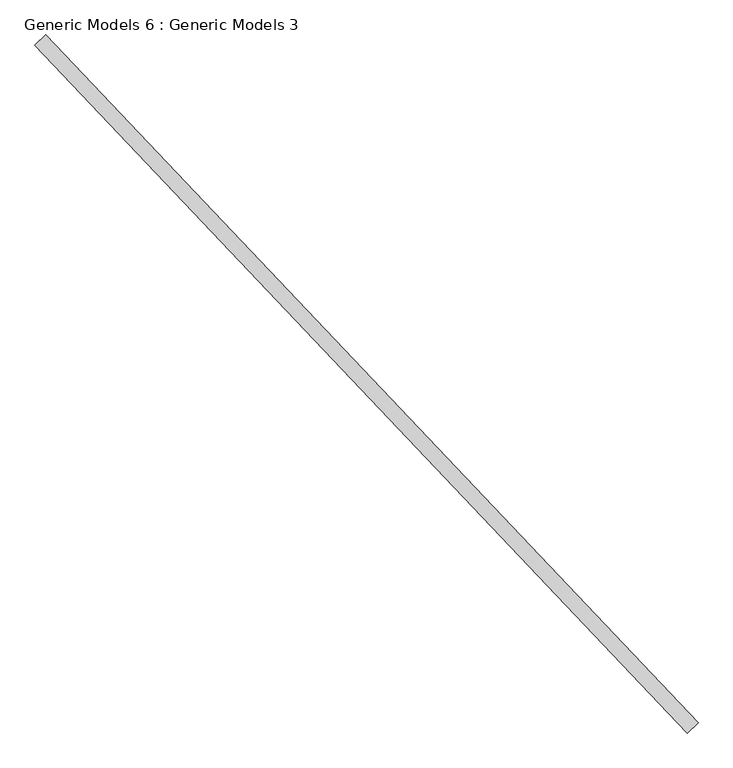
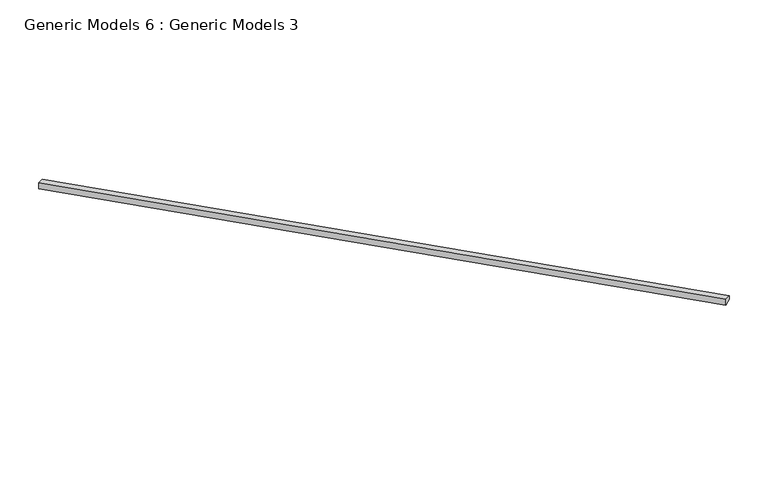
"""IFC4 building model written with IfcOpenShell, lengths in millimetres: proxy geometry, Generic Models 6 : Generic Models 3."""

from ifc_helpers import new_model, si_unit, frame, origin, place, context, project, spatial, polyline, outline, extrude, source, transform, mapped, element, save


def generic_models_6_generic_models_3_84433ce9(model_context):
    return source(origin(), model_context, "Body", "SweptSolid", [
        extrude(outline(polyline([(97.5251601, 0.0), (97.5251601, -139.7), (49.2674234, -139.7), (7.8867177, 0.0), (97.5251601, 0.0)])), frame((113494.8846991, 53757.967364, 17487.8471083), z_axis=(-0.6883545756937502, 0.7253743710122912, 0.0), x_axis=(0.0, 0.0, -1.0)), (0.0, 0.0, 1.0), 8832.85),
    ])


if __name__ == "__main__":
    model = new_model("IFC4")
    model_context = context("Model", 3, world=origin())
    ifc_project = project(units=[si_unit("LENGTHUNIT", "METRE", prefix="MILLI")], contexts=[model_context])
    site = spatial("IfcSite", under=ifc_project)
    building = spatial("IfcBuilding", under=site)
    placement = place(None, origin())
    generic_models_6_generic_models_3_shape = generic_models_6_generic_models_3_84433ce9(model_context)
    element("IfcBuildingElementProxy", 1, Name="Generic Models 6 : Generic Models 3", ObjectType="Generic Models 6 : Generic Models 3", at=placement, inside=building, context=model_context, shape_type="MappedRepresentation", body=[
        mapped(generic_models_6_generic_models_3_shape, transform((0.0, 0.0, 0.0), x_axis=(1.0, 0.0, 0.0), y_axis=(0.0, 1.0, 0.0), z_axis=(0.0, 0.0, 1.0))),
    ])
    save(model, "model.ifc")
